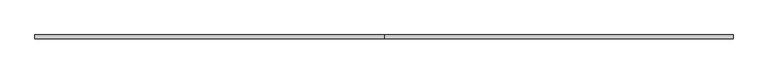
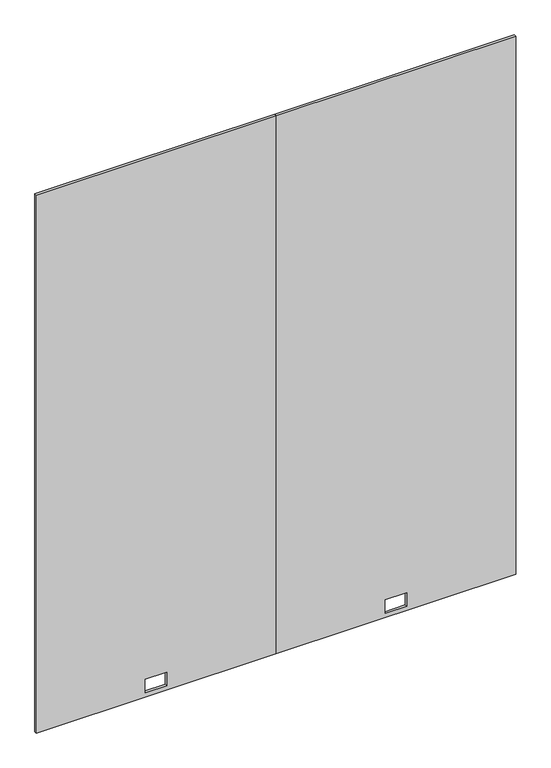
"""IFC4 building model written with IfcOpenShell, lengths in millimetres: furniture geometry."""

from ifc_helpers import new_model, si_unit, frame, origin, place, context, project, spatial, polyline, outline, extrude, source, transform, mapped, element, save


def furniture_fe372ac9(model_context):
    return source(origin(), model_context, "Body", "SweptSolid", [
        extrude(outline(polyline([(2186.3010468, 915.67), (2186.3010468, 0.0), (12.7, 0.0), (12.7, 915.67), (2186.3010468, 915.67)]), holes=[polyline([(29.6164, 416.0774), (83.9724, 416.0774), (83.9724, 498.3226), (29.6164, 498.3226), (29.6164, 416.0774)])]), frame((0.0, -4.7752, 0.0), z_axis=(0.0, 1.0, 0.0), x_axis=(0.0, 0.0, 1.0)), (0.0, 0.0, 1.0), 9.525),
        extrude(outline(polyline([(2186.3010468, 1831.34), (2186.3010468, 915.67), (12.7, 915.67), (12.7, 1831.34), (2186.3010468, 1831.34)]), holes=[polyline([(83.9724, 1414.6276), (29.6164, 1414.6276), (29.6164, 1332.3824), (83.9724, 1332.3824), (83.9724, 1414.6276)])]), frame((0.0, -4.7752, 0.0), z_axis=(0.0, 1.0, 0.0), x_axis=(0.0, 0.0, 1.0)), (0.0, 0.0, 1.0), 9.525),
    ])


if __name__ == "__main__":
    model = new_model("IFC4")
    model_context = context("Model", 3, world=origin())
    ifc_project = project(units=[si_unit("LENGTHUNIT", "METRE", prefix="MILLI")], contexts=[model_context])
    site = spatial("IfcSite", under=ifc_project)
    building = spatial("IfcBuilding", under=site)
    placement = place(None, origin())
    furniture_shape = furniture_fe372ac9(model_context)
    element("IfcFurniture", 1, at=placement, inside=building, context=model_context, shape_type="MappedRepresentation", body=[
        mapped(furniture_shape, transform((0.0, 0.0, 0.0), x_axis=(1.0, 0.0, 0.0), y_axis=(0.0, 1.0, 0.0), z_axis=(0.0, 0.0, 1.0))),
    ])
    save(model, "model.ifc")
